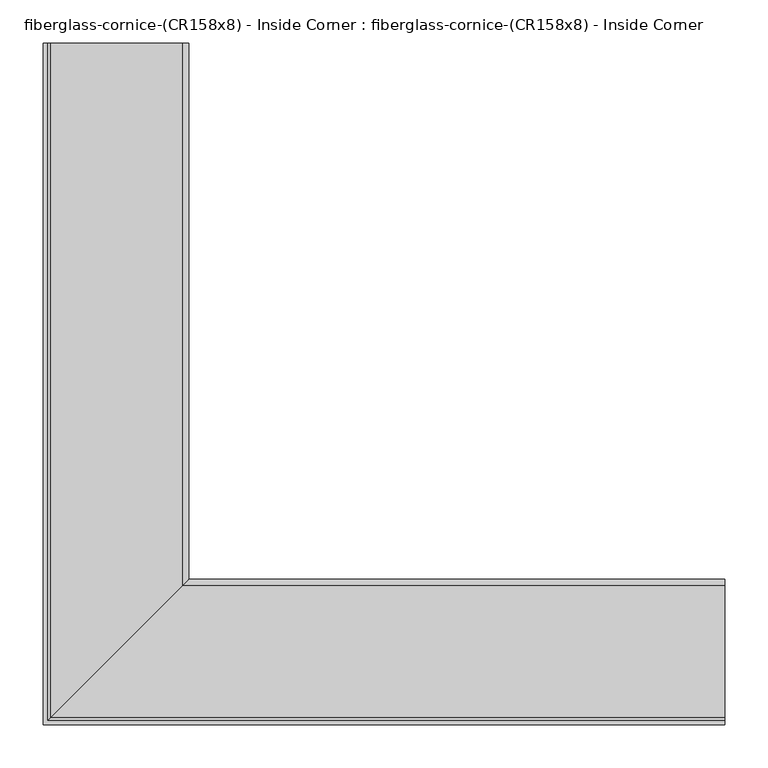
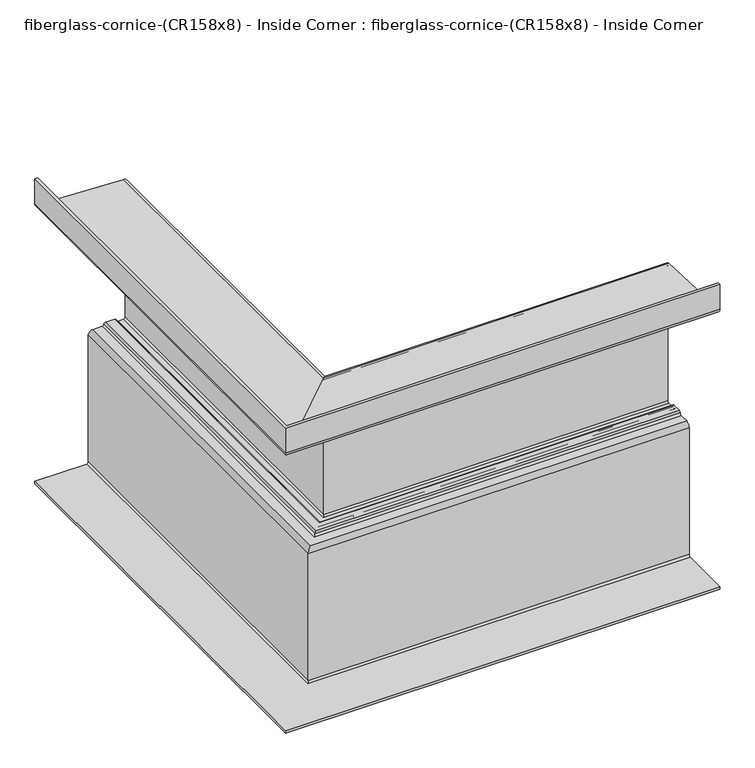
"""IFC4 building model written with IfcOpenShell, lengths in millimetres: furniture geometry, fiberglass-cornice-(CR158x8) - Inside Corner : fiberglass-cornice-(CR158x8) - Inside Corner."""

from ifc_helpers import new_model, si_unit, frame, origin, place, context, project, spatial, polyline, circle_curve, ellipse_curve, source, transform, mapped, element, save
from ifc_brep_helpers import plane_surface, cylinder_surface, revolved_surface, advanced_brep


def fiberglass_cornice_cr158x8_inside_corner_fiberglass_cornice_3115bbb0(model_context):
    return source(origin(), model_context, "Body", "AdvancedBrep", [
        advanced_brep(
        [(-393.699995, 888.603125, 330.1999904), (-388.937495, 888.603125, 330.1999904), (-388.937495, 888.603125, 282.1175966), (-385.8946721, 888.603125, 279.0747737), (-233.3696805, 888.603125, 272.7195594), (-225.4249938, 888.603125, 264.7748727), (-225.4249938, 888.603125, 7.8336533), (-233.3624938, 888.603125, -0.1038467), (-247.6298979, 888.603125, -0.1038467), (-250.8048979, 888.603125, 3.0711533), (-253.9798979, 888.603125, 6.2461533), (-260.4139272, 888.603125, 6.2461533), (-263.5889272, 888.603125, 3.0711533), (-266.7639272, 888.603125, -0.1038467), (-288.9249938, 888.603125, -0.1038467), (-292.0999938, 888.603125, -3.2788467), (-292.0999938, 888.603125, -246.1065858), (-300.0374938, 888.603125, -254.0440858), (-393.6999938, 888.603125, -254.0440858), (-393.6999938, 888.603125, -249.2815858), (-300.0374938, 888.603125, -249.2815858), (-296.8624938, 888.603125, -246.1065858), (-296.8624938, 888.603125, -3.2788467), (-288.9249938, 888.603125, 4.6586533), (-271.7284372, 888.603125, 4.6586533), (-268.5541291, 888.603125, 7.7673757), (-265.3798209, 888.603125, 10.8760981), (-249.4723533, 888.603125, 10.8760981), (-246.2973533, 888.603125, 7.7010676), (-243.1237369, 888.603125, 4.6586533), (-233.3624938, 888.603125, 4.6586533), (-230.1874938, 888.603125, 7.8336533), (-230.1874938, 888.603125, 264.7748727), (-233.3653685, 888.603125, 267.9527474), (-386.0929377, 888.603125, 274.3164025), (-393.699995, 888.603125, 281.9234597), (393.6999938, 101.2031239, 330.1999904), (393.6999938, 101.2031239, 281.9234597), (393.6999938, 108.8101811, 274.3164025), (393.6999938, 261.5377503, 267.9527474), (393.6999938, 264.715625, 264.7748727), (393.6999938, 264.715625, 7.8336533), (393.6999938, 261.540625, 4.6586533), (393.6999938, 251.7793819, 4.6586533), (393.6999938, 248.6057656, 7.7010676), (393.6999938, 245.4307656, 10.8760981), (393.6999938, 229.5232979, 10.8760981), (393.6999938, 226.3489898, 7.7673757), (393.6999938, 223.1746816, 4.6586533), (393.6999938, 205.978125, 4.6586533), (393.6999938, 198.040625, -3.2788467), (393.6999938, 198.040625, -246.1065858), (393.6999938, 194.865625, -249.2815858), (393.6999938, 101.203125, -249.2815858), (393.6999938, 101.203125, -254.0440858), (393.6999938, 194.865625, -254.0440858), (393.6999938, 202.803125, -246.1065858), (393.6999938, 202.803125, -3.2788467), (393.6999938, 205.978125, -0.1038467), (393.6999938, 228.1391917, -0.1038467), (393.6999938, 231.3141917, 3.0711533), (393.6999938, 234.4891917, 6.2461533), (393.6999938, 240.923221, 6.2461533), (393.6999938, 244.098221, 3.0711533), (393.6999938, 247.273221, -0.1038467), (393.6999938, 261.540625, -0.1038467), (393.6999938, 269.478125, 7.8336533), (393.6999938, 269.478125, 264.7748727), (393.6999938, 261.5334383, 272.7195594), (393.6999938, 109.0084468, 279.0747737), (393.6999938, 105.9656239, 282.1175966), (393.6999938, 105.9656239, 330.1999904), (-393.699995, 101.2031239, 330.1999904), (-388.937495, 105.9656239, 330.1999904), (-388.937495, 105.9656239, 282.1175966), (-385.8946721, 109.0084468, 279.0747737), (-233.3696805, 261.5334383, 272.7195594), (-225.4249938, 269.478125, 264.7748727), (-225.4249938, 269.478125, 7.8336533), (-233.3624938, 261.540625, -0.1038467), (-247.6298979, 247.273221, -0.1038467), (-250.8048979, 244.098221, 3.0711533), (-253.9798979, 240.923221, 6.2461533), (-260.4139272, 234.4891917, 6.2461533), (-263.5889272, 231.3141917, 3.0711533), (-266.7639272, 228.1391917, -0.1038467), (-288.9249938, 205.978125, -0.1038467), (-292.0999938, 202.803125, -3.2788467), (-292.0999938, 202.803125, -246.1065858), (-300.0374938, 194.865625, -254.0440858), (-393.6999938, 101.203125, -254.0440858), (-393.6999938, 101.203125, -249.2815858), (-300.0374938, 194.865625, -249.2815858), (-296.8624938, 198.040625, -246.1065858), (-296.8624938, 198.040625, -3.2788467), (-288.9249938, 205.978125, 4.6586533), (-271.7284372, 223.1746816, 4.6586533), (-268.5541291, 226.3489898, 7.7673757), (-265.3798209, 229.5232979, 10.8760981), (-249.4723533, 245.4307656, 10.8760981), (-246.2973533, 248.6057656, 7.7010676), (-243.1237369, 251.7793819, 4.6586533), (-233.3624938, 261.540625, 4.6586533), (-230.1874938, 264.715625, 7.8336533), (-230.1874938, 264.715625, 264.7748727), (-233.3653685, 261.5377503, 267.9527474), (-386.0929377, 108.8101811, 274.3164025), (-393.699995, 101.2031239, 281.9234597)],
        [
            (0, 1),
            (1, 2),
            (2, 3, circle_curve(frame((-385.8946721, 888.603125, 282.1175966), z_axis=(0.0, -1.0, 0.0), x_axis=(1.0, 0.0, 0.0)), 3.0428229)),
            (3, 4),
            (4, 5, circle_curve(frame((-233.3696805, 888.603125, 264.7748727), z_axis=(0.0, 1.0, 0.0), x_axis=(1.0, 0.0, 0.0)), 7.9446867)),
            (5, 6),
            (6, 7, circle_curve(frame((-233.3624938, 888.603125, 7.8336533), z_axis=(0.0, 1.0, 0.0), x_axis=(1.0, 0.0, 0.0)), 7.9375)),
            (7, 8),
            (8, 9, circle_curve(frame((-247.6298979, 888.603125, 3.0711533), z_axis=(0.0, 1.0, 0.0), x_axis=(1.0, 0.0, 0.0)), 3.175)),
            (9, 10, circle_curve(frame((-253.9798979, 888.603125, 3.0711533), z_axis=(0.0, -1.0, 0.0), x_axis=(1.0, 0.0, 0.0)), 3.175)),
            (10, 11),
            (11, 12, circle_curve(frame((-260.4139272, 888.603125, 3.0711533), z_axis=(0.0, -1.0, 0.0), x_axis=(1.0, 0.0, 0.0)), 3.175)),
            (12, 13, circle_curve(frame((-266.7639272, 888.603125, 3.0711533), z_axis=(0.0, 1.0, 0.0), x_axis=(1.0, 0.0, 0.0)), 3.175)),
            (13, 14),
            (14, 15, circle_curve(frame((-288.9249938, 888.603125, -3.2788467), z_axis=(0.0, -1.0, 0.0), x_axis=(1.0, 0.0, 0.0)), 3.175)),
            (15, 16),
            (16, 17, circle_curve(frame((-300.0374938, 888.603125, -246.1065858), z_axis=(0.0, 1.0, 0.0), x_axis=(1.0, 0.0, 0.0)), 7.9375)),
            (17, 18),
            (18, 19),
            (19, 20),
            (20, 21, circle_curve(frame((-300.0374938, 888.603125, -246.1065858), z_axis=(0.0, -1.0, 0.0), x_axis=(1.0, 0.0, 0.0)), 3.175)),
            (21, 22),
            (22, 23, circle_curve(frame((-288.9249938, 888.603125, -3.2788467), z_axis=(0.0, 1.0, 0.0), x_axis=(1.0, 0.0, 0.0)), 7.9375)),
            (23, 24),
            (24, 25, circle_curve(frame((-271.7284372, 888.603125, 7.8336533), z_axis=(0.0, -1.0, 0.0), x_axis=(1.0, 0.0, 0.0)), 3.175)),
            (25, 26, circle_curve(frame((-265.3798209, 888.603125, 7.7010981), z_axis=(0.0, 1.0, 0.0), x_axis=(1.0, 0.0, 0.0)), 3.175)),
            (26, 27),
            (27, 28, circle_curve(frame((-249.4723533, 888.603125, 7.7010981), z_axis=(0.0, 1.0, 0.0), x_axis=(1.0, 0.0, 0.0)), 3.175)),
            (28, 29, circle_curve(frame((-243.1237369, 888.603125, 7.8350986), z_axis=(0.0, -1.0, 0.0), x_axis=(1.0, 0.0, 0.0)), 3.1764453)),
            (29, 30),
            (30, 31, circle_curve(frame((-233.3624938, 888.603125, 7.8336533), z_axis=(0.0, -1.0, 0.0), x_axis=(1.0, 0.0, 0.0)), 3.175)),
            (31, 32),
            (32, 33, circle_curve(frame((-233.3653685, 888.603125, 264.7748727), z_axis=(0.0, -1.0, 0.0), x_axis=(1.0, 0.0, 0.0)), 3.1778747)),
            (33, 34),
            (34, 35, circle_curve(frame((-386.0929377, 888.603125, 281.9234597), z_axis=(0.0, 1.0, 0.0), x_axis=(1.0, 0.0, 0.0)), 7.6070572)),
            (35, 0),
            (36, 37),
            (37, 38, circle_curve(frame((393.6999938, 108.8101811, 281.9234597), z_axis=(1.0, 0.0, 0.0), x_axis=(0.0, 1.0, 0.0)), 7.6070572)),
            (38, 39),
            (39, 40, circle_curve(frame((393.6999938, 261.5377503, 264.7748727), z_axis=(-1.0, 0.0, 0.0), x_axis=(0.0, 1.0, 0.0)), 3.1778747)),
            (40, 41),
            (41, 42, circle_curve(frame((393.6999938, 261.540625, 7.8336533), z_axis=(-1.0, 0.0, 0.0), x_axis=(0.0, 1.0, 0.0)), 3.175)),
            (42, 43),
            (43, 44, circle_curve(frame((393.6999938, 251.7793819, 7.8350986), z_axis=(-1.0, 0.0, 0.0), x_axis=(0.0, 1.0, 0.0)), 3.1764453)),
            (44, 45, circle_curve(frame((393.6999938, 245.4307656, 7.7010981), z_axis=(1.0, 0.0, 0.0), x_axis=(0.0, 1.0, 0.0)), 3.175)),
            (45, 46),
            (46, 47, circle_curve(frame((393.6999938, 229.5232979, 7.7010981), z_axis=(1.0, 0.0, 0.0), x_axis=(0.0, 1.0, 0.0)), 3.175)),
            (47, 48, circle_curve(frame((393.6999938, 223.1746816, 7.8336533), z_axis=(-1.0, 0.0, 0.0), x_axis=(0.0, 1.0, 0.0)), 3.175)),
            (48, 49),
            (49, 50, circle_curve(frame((393.6999938, 205.978125, -3.2788467), z_axis=(1.0, 0.0, 0.0), x_axis=(0.0, 1.0, 0.0)), 7.9375)),
            (50, 51),
            (51, 52, circle_curve(frame((393.6999938, 194.865625, -246.1065858), z_axis=(-1.0, 0.0, 0.0), x_axis=(0.0, 1.0, 0.0)), 3.175)),
            (52, 53),
            (53, 54),
            (54, 55),
            (55, 56, circle_curve(frame((393.6999938, 194.865625, -246.1065858), z_axis=(1.0, 0.0, 0.0), x_axis=(0.0, 1.0, 0.0)), 7.9375)),
            (56, 57),
            (57, 58, circle_curve(frame((393.6999938, 205.978125, -3.2788467), z_axis=(-1.0, 0.0, 0.0), x_axis=(0.0, 1.0, 0.0)), 3.175)),
            (58, 59),
            (59, 60, circle_curve(frame((393.6999938, 228.1391917, 3.0711533), z_axis=(1.0, 0.0, 0.0), x_axis=(0.0, 1.0, 0.0)), 3.175)),
            (60, 61, circle_curve(frame((393.6999938, 234.4891917, 3.0711533), z_axis=(-1.0, 0.0, 0.0), x_axis=(0.0, 1.0, 0.0)), 3.175)),
            (61, 62),
            (62, 63, circle_curve(frame((393.6999938, 240.923221, 3.0711533), z_axis=(-1.0, 0.0, 0.0), x_axis=(0.0, 1.0, 0.0)), 3.175)),
            (63, 64, circle_curve(frame((393.6999938, 247.273221, 3.0711533), z_axis=(1.0, 0.0, 0.0), x_axis=(0.0, 1.0, 0.0)), 3.175)),
            (64, 65),
            (65, 66, circle_curve(frame((393.6999938, 261.540625, 7.8336533), z_axis=(1.0, 0.0, 0.0), x_axis=(0.0, 1.0, 0.0)), 7.9375)),
            (66, 67),
            (67, 68, circle_curve(frame((393.6999938, 261.5334383, 264.7748727), z_axis=(1.0, 0.0, 0.0), x_axis=(0.0, 1.0, 0.0)), 7.9446867)),
            (68, 69),
            (69, 70, circle_curve(frame((393.6999938, 109.0084468, 282.1175966), z_axis=(-1.0, 0.0, 0.0), x_axis=(0.0, 1.0, 0.0)), 3.0428229)),
            (70, 71),
            (71, 36),
            (0, 72),
            (72, 36),
            (71, 73),
            (73, 1),
            (73, 74),
            (74, 2),
            (74, 75, ellipse_curve(frame((-385.8946721, 109.0084468, 282.1175966), z_axis=(0.7071067811865475, -0.7071067811865475, 0.0), x_axis=(-0.7071067811865474, -0.7071067811865476, 0.0)), 4.3032014, 3.0428229)),
            (75, 3),
            (75, 76),
            (76, 4),
            (76, 77, ellipse_curve(frame((-233.3696805, 261.5334383, 264.7748727), z_axis=(-0.7071067811865475, 0.7071067811865475, 0.0), x_axis=(0.7071067811865474, 0.7071067811865476, 0.0)), 11.2354836, 7.9446867)),
            (77, 5),
            (77, 78),
            (78, 6),
            (78, 79, ellipse_curve(frame((-233.3624938, 261.540625, 7.8336533), z_axis=(-0.7071067811865475, 0.7071067811865475, 0.0), x_axis=(0.7071067811865474, 0.7071067811865476, 0.0)), 11.2253202, 7.9375)),
            (79, 7),
            (79, 65),
            (64, 80),
            (80, 8),
            (80, 81, ellipse_curve(frame((-247.6298979, 247.273221, 3.0711533), z_axis=(-0.7071067811865475, 0.7071067811865475, 0.0), x_axis=(0.7071067811865474, 0.7071067811865476, 0.0)), 4.4901281, 3.175)),
            (81, 9),
            (81, 82, ellipse_curve(frame((-253.9798979, 240.923221, 3.0711533), z_axis=(0.7071067811865475, -0.7071067811865475, 0.0), x_axis=(-0.7071067811865474, -0.7071067811865476, 0.0)), 4.4901281, 3.175)),
            (82, 10),
            (82, 62),
            (61, 83),
            (83, 11),
            (83, 84, ellipse_curve(frame((-260.4139272, 234.4891917, 3.0711533), z_axis=(0.7071067811865475, -0.7071067811865475, 0.0), x_axis=(-0.7071067811865474, -0.7071067811865476, 0.0)), 4.4901281, 3.175)),
            (84, 12),
            (84, 85, ellipse_curve(frame((-266.7639272, 228.1391917, 3.0711533), z_axis=(-0.7071067811865475, 0.7071067811865475, 0.0), x_axis=(0.7071067811865474, 0.7071067811865476, 0.0)), 4.4901281, 3.175)),
            (85, 13),
            (85, 59),
            (58, 86),
            (86, 14),
            (86, 87, ellipse_curve(frame((-288.9249938, 205.978125, -3.2788467), z_axis=(0.7071067811865475, -0.7071067811865475, 0.0), x_axis=(-0.7071067811865474, -0.7071067811865476, 0.0)), 4.4901281, 3.175)),
            (87, 15),
            (87, 88),
            (88, 16),
            (88, 89, ellipse_curve(frame((-300.0374938, 194.865625, -246.1065858), z_axis=(-0.7071067811865475, 0.7071067811865475, 0.0), x_axis=(0.7071067811865474, 0.7071067811865476, 0.0)), 11.2253202, 7.9375)),
            (89, 17),
            (89, 55),
            (54, 90),
            (90, 18),
            (90, 91),
            (91, 19),
            (91, 53),
            (52, 92),
            (92, 20),
            (92, 93, ellipse_curve(frame((-300.0374938, 194.865625, -246.1065858), z_axis=(0.7071067811865475, -0.7071067811865475, 0.0), x_axis=(-0.7071067811865474, -0.7071067811865476, 0.0)), 4.4901281, 3.175)),
            (93, 21),
            (93, 94),
            (94, 22),
            (94, 95, ellipse_curve(frame((-288.9249938, 205.978125, -3.2788467), z_axis=(-0.7071067811865475, 0.7071067811865475, 0.0), x_axis=(0.7071067811865474, 0.7071067811865476, 0.0)), 11.2253202, 7.9375)),
            (95, 23),
            (95, 49),
            (48, 96),
            (96, 24),
            (96, 97, ellipse_curve(frame((-271.7284372, 223.1746816, 7.8336533), z_axis=(0.7071067811865475, -0.7071067811865475, 0.0), x_axis=(-0.7071067811865474, -0.7071067811865476, 0.0)), 4.4901281, 3.175)),
            (97, 25),
            (97, 98, ellipse_curve(frame((-265.3798209, 229.5232979, 7.7010981), z_axis=(-0.7071067811865475, 0.7071067811865475, 0.0), x_axis=(0.7071067811865474, 0.7071067811865476, 0.0)), 4.4901281, 3.175)),
            (98, 26),
            (98, 46),
            (45, 99),
            (99, 27),
            (99, 100, ellipse_curve(frame((-249.4723533, 245.4307656, 7.7010981), z_axis=(-0.7071067811865475, 0.7071067811865475, 0.0), x_axis=(0.7071067811865474, 0.7071067811865476, 0.0)), 4.4901281, 3.175)),
            (100, 28),
            (100, 101, ellipse_curve(frame((-243.1237369, 251.7793819, 7.8350986), z_axis=(0.7071067811865475, -0.7071067811865475, 0.0), x_axis=(-0.7071067811865474, -0.7071067811865476, 0.0)), 4.492172, 3.1764453)),
            (101, 29),
            (101, 43),
            (42, 102),
            (102, 30),
            (102, 103, ellipse_curve(frame((-233.3624938, 261.540625, 7.8336533), z_axis=(0.7071067811865475, -0.7071067811865475, 0.0), x_axis=(-0.7071067811865474, -0.7071067811865476, 0.0)), 4.4901281, 3.175)),
            (103, 31),
            (103, 104),
            (104, 32),
            (104, 105, ellipse_curve(frame((-233.3653685, 261.5377503, 264.7748727), z_axis=(0.7071067811865475, -0.7071067811865475, 0.0), x_axis=(-0.7071067811865474, -0.7071067811865476, 0.0)), 4.4941935, 3.1778747)),
            (105, 33),
            (105, 106),
            (106, 34),
            (106, 107, ellipse_curve(frame((-386.0929377, 108.8101811, 281.9234597), z_axis=(-0.7071067811865475, 0.7071067811865475, 0.0), x_axis=(0.7071067811865474, 0.7071067811865476, 0.0)), 10.7580035, 7.6070572)),
            (107, 35),
            (107, 72),
            (70, 74),
            (69, 75),
            (68, 76),
            (67, 77),
            (66, 78),
            (63, 81),
            (60, 84),
            (57, 87),
            (56, 88),
            (51, 93),
            (50, 94),
            (47, 97),
            (44, 100),
            (41, 103),
            (40, 104),
            (39, 105),
            (38, 106),
            (37, 107),
        ],
        [
            plane_surface(frame((-393.6999938, 888.603125, 330.1999904), z_axis=(0.0, 1.0, 0.0), x_axis=(0.0, 0.0, 1.0))),
            plane_surface(frame((393.6999938, 101.203125, 330.1999904), z_axis=(1.0, 0.0, 0.0), x_axis=(0.0, 0.0, 1.0))),
            plane_surface(frame((-393.699995, 888.603125, 330.1999904), z_axis=(0.0, 0.0, 1.0), x_axis=(0.0, -1.0, 0.0))),
            plane_surface(frame((-388.937495, 888.603125, 330.1999904), z_axis=(1.0, 0.0, 0.0), x_axis=(0.0, -1.0, 0.0))),
            revolved_surface(polyline([(-382.8518492, 105.96562389999997, 282.1175966), (-382.8518492, 888.603125, 282.1175966)]), (-385.8946721, 888.603125, 282.1175966), (0.0, -1.0, 0.0)),
            plane_surface(frame((-385.8946721, 888.603125, 279.0747737), z_axis=(0.041630586317576795, 0.0, 0.9991330713587929), x_axis=(0.0, -1.0, 0.0))),
            cylinder_surface(frame((-233.3696805, 888.603125, 264.7748727), z_axis=(0.0, 1.0, 0.0), x_axis=(1.0, 0.0, 0.0)), 7.9446867),
            plane_surface(frame((-225.4249938, 888.603125, 264.7748727), z_axis=(1.0, 0.0, 0.0), x_axis=(0.0, -1.0, 0.0))),
            cylinder_surface(frame((-233.3624938, 888.603125, 7.8336533), z_axis=(0.0, 1.0, 0.0), x_axis=(1.0, 0.0, 0.0)), 7.9375),
            plane_surface(frame((-233.3624938, 888.603125, -0.1038467), z_axis=(0.0, 0.0, -1.0), x_axis=(0.0, -1.0, 0.0))),
            cylinder_surface(frame((-247.6298979, 888.603125, 3.0711533), z_axis=(0.0, 1.0, 0.0), x_axis=(1.0, 0.0, 0.0)), 3.175),
            revolved_surface(polyline([(-250.8048979, 237.7482209720937, 3.0711533), (-250.8048979, 888.603125, 3.0711533)]), (-253.9798979, 888.603125, 3.0711533), (0.0, -1.0, 0.0)),
            plane_surface(frame((-253.9798979, 888.603125, 6.2461533), z_axis=(0.0, 0.0, -1.0), x_axis=(0.0, -1.0, 0.0))),
            revolved_surface(polyline([(-257.2389272, 231.31419167209367, 3.0711533), (-257.2389272, 888.603125, 3.0711533)]), (-260.4139272, 888.603125, 3.0711533), (0.0, -1.0, 0.0)),
            cylinder_surface(frame((-266.7639272, 888.603125, 3.0711533), z_axis=(0.0, 1.0, 0.0), x_axis=(1.0, 0.0, 0.0)), 3.175),
            plane_surface(frame((-266.7639272, 888.603125, -0.1038467), z_axis=(0.0, 0.0, -1.0), x_axis=(0.0, -1.0, 0.0))),
            revolved_surface(polyline([(-285.74999379999997, 202.80312497209366, -3.2788467), (-285.74999379999997, 888.603125, -3.2788467)]), (-288.9249938, 888.603125, -3.2788467), (0.0, -1.0, 0.0)),
            plane_surface(frame((-292.0999938, 888.603125, -3.2788467), z_axis=(1.0, 0.0, 0.0), x_axis=(0.0, -1.0, 0.0))),
            cylinder_surface(frame((-300.0374938, 888.603125, -246.1065858), z_axis=(0.0, 1.0, 0.0), x_axis=(1.0, 0.0, 0.0)), 7.9375),
            plane_surface(frame((-300.0374938, 888.603125, -254.0440858), z_axis=(0.0, 0.0, -1.0), x_axis=(0.0, -1.0, 0.0))),
            plane_surface(frame((-393.6999938, 888.603125, -254.0440858), z_axis=(-1.0, 0.0, 0.0), x_axis=(0.0, -1.0, 0.0))),
            plane_surface(frame((-393.6999938, 888.603125, -249.2815858), z_axis=(0.0, 0.0, 1.0), x_axis=(0.0, -1.0, 0.0))),
            revolved_surface(polyline([(-296.8624938, 191.6906249720937, -246.1065858), (-296.8624938, 888.603125, -246.1065858)]), (-300.0374938, 888.603125, -246.1065858), (0.0, -1.0, 0.0)),
            plane_surface(frame((-296.8624938, 888.603125, -246.1065858), z_axis=(-1.0, 0.0, 0.0), x_axis=(0.0, -1.0, 0.0))),
            cylinder_surface(frame((-288.9249938, 888.603125, -3.2788467), z_axis=(0.0, 1.0, 0.0), x_axis=(1.0, 0.0, 0.0)), 7.9375),
            plane_surface(frame((-288.9249938, 888.603125, 4.6586533), z_axis=(0.0, 0.0, 1.0), x_axis=(0.0, -1.0, 0.0))),
            revolved_surface(polyline([(-268.55343719999996, 219.99968157209366, 7.8336533), (-268.55343719999996, 888.603125, 7.8336533)]), (-271.7284372, 888.603125, 7.8336533), (0.0, -1.0, 0.0)),
            cylinder_surface(frame((-265.3798209, 888.603125, 7.7010981), z_axis=(0.0, 1.0, 0.0), x_axis=(1.0, 0.0, 0.0)), 3.175),
            plane_surface(frame((-265.3798209, 888.603125, 10.8760981), z_axis=(0.0, 0.0, 1.0), x_axis=(0.0, -1.0, 0.0))),
            cylinder_surface(frame((-249.4723533, 888.603125, 7.7010981), z_axis=(0.0, 1.0, 0.0), x_axis=(1.0, 0.0, 0.0)), 3.175),
            revolved_surface(polyline([(-239.9472916, 248.60293661654362, 7.8350986), (-239.9472916, 888.603125, 7.8350986)]), (-243.1237369, 888.603125, 7.8350986), (0.0, -1.0, 0.0)),
            plane_surface(frame((-243.1237369, 888.603125, 4.6586533), z_axis=(0.0, 0.0, 1.0), x_axis=(0.0, -1.0, 0.0))),
            revolved_surface(polyline([(-230.1874938, 258.36562497209366, 7.8336533), (-230.1874938, 888.603125, 7.8336533)]), (-233.3624938, 888.603125, 7.8336533), (0.0, -1.0, 0.0)),
            plane_surface(frame((-230.1874938, 888.603125, 7.8336533), z_axis=(-1.0, 0.0, 0.0), x_axis=(0.0, -1.0, 0.0))),
            revolved_surface(polyline([(-230.1874938, 258.35987560018555, 264.7748727), (-230.1874938, 888.603125, 264.7748727)]), (-233.3653685, 888.603125, 264.7748727), (0.0, -1.0, 0.0)),
            plane_surface(frame((-233.3653685, 888.603125, 267.9527474), z_axis=(-0.041630586317557366, 0.0, -0.9991330713587938), x_axis=(0.0, -1.0, 0.0))),
            cylinder_surface(frame((-386.0929377, 888.603125, 281.9234597), z_axis=(0.0, 1.0, 0.0), x_axis=(1.0, 0.0, 0.0)), 7.6070572),
            plane_surface(frame((-393.699995, 888.603125, 281.9234597), z_axis=(-1.0, 0.0, 0.0), x_axis=(0.0, -1.0, 0.0))),
            plane_surface(frame((-388.937495, 105.9656239, 330.1999904), z_axis=(0.0, 1.0, 0.0), x_axis=(1.0, 0.0, 0.0))),
            revolved_surface(polyline([(393.6999938, 112.0512697, 282.1175966), (-388.937495, 112.0512697, 282.1175966)]), (-393.6999938, 109.0084468, 282.1175966), (1.0, 0.0, 0.0)),
            plane_surface(frame((-385.8946721, 109.0084468, 279.0747737), z_axis=(0.0, 0.041630586317576795, 0.9991330713587929), x_axis=(1.0, 0.0, 0.0))),
            cylinder_surface(frame((-393.6999938, 261.5334383, 264.7748727), z_axis=(-1.0, 0.0, 0.0), x_axis=(0.0, 1.0, 0.0)), 7.9446867),
            plane_surface(frame((-225.4249938, 269.478125, 264.7748727), z_axis=(0.0, 1.0, 0.0), x_axis=(1.0, 0.0, 0.0))),
            cylinder_surface(frame((-393.6999938, 261.540625, 7.8336533), z_axis=(-1.0, 0.0, 0.0), x_axis=(0.0, 1.0, 0.0)), 7.9375),
            cylinder_surface(frame((-393.6999938, 247.273221, 3.0711533), z_axis=(-1.0, 0.0, 0.0), x_axis=(0.0, 1.0, 0.0)), 3.175),
            revolved_surface(polyline([(393.6999938, 244.09822100000002, 3.0711533), (-257.1548979279063, 244.09822100000002, 3.0711533)]), (-393.6999938, 240.923221, 3.0711533), (1.0, 0.0, 0.0)),
            revolved_surface(polyline([(393.6999938, 237.6641917, 3.0711533), (-263.58892722790625, 237.6641917, 3.0711533)]), (-393.6999938, 234.4891917, 3.0711533), (1.0, 0.0, 0.0)),
            cylinder_surface(frame((-393.6999938, 228.1391917, 3.0711533), z_axis=(-1.0, 0.0, 0.0), x_axis=(0.0, 1.0, 0.0)), 3.175),
            revolved_surface(polyline([(393.6999938, 209.15312500000002, -3.2788467), (-292.09999382790625, 209.15312500000002, -3.2788467)]), (-393.6999938, 205.978125, -3.2788467), (1.0, 0.0, 0.0)),
            plane_surface(frame((-292.0999938, 202.803125, -3.2788467), z_axis=(0.0, 1.0, 0.0), x_axis=(1.0, 0.0, 0.0))),
            cylinder_surface(frame((-393.6999938, 194.865625, -246.1065858), z_axis=(-1.0, 0.0, 0.0), x_axis=(0.0, 1.0, 0.0)), 7.9375),
            plane_surface(frame((-393.6999938, 101.203125, -254.0440858), z_axis=(0.0, -1.0, 0.0), x_axis=(1.0, 0.0, 0.0))),
            revolved_surface(polyline([(393.6999938, 198.040625, -246.1065858), (-303.21249382790626, 198.040625, -246.1065858)]), (-393.6999938, 194.865625, -246.1065858), (1.0, 0.0, 0.0)),
            plane_surface(frame((-296.8624938, 198.040625, -246.1065858), z_axis=(0.0, -1.0, 0.0), x_axis=(1.0, 0.0, 0.0))),
            cylinder_surface(frame((-393.6999938, 205.978125, -3.2788467), z_axis=(-1.0, 0.0, 0.0), x_axis=(0.0, 1.0, 0.0)), 7.9375),
            revolved_surface(polyline([(393.6999938, 226.34968160000003, 7.8336533), (-274.90343722790624, 226.34968160000003, 7.8336533)]), (-393.6999938, 223.1746816, 7.8336533), (1.0, 0.0, 0.0)),
            cylinder_surface(frame((-393.6999938, 229.5232979, 7.7010981), z_axis=(-1.0, 0.0, 0.0), x_axis=(0.0, 1.0, 0.0)), 3.175),
            cylinder_surface(frame((-393.6999938, 245.4307656, 7.7010981), z_axis=(-1.0, 0.0, 0.0), x_axis=(0.0, 1.0, 0.0)), 3.175),
            revolved_surface(polyline([(393.6999938, 254.95582720000002, 7.8350986), (-246.30018218345634, 254.95582720000002, 7.8350986)]), (-393.6999938, 251.7793819, 7.8350986), (1.0, 0.0, 0.0)),
            revolved_surface(polyline([(393.6999938, 264.715625, 7.8336533), (-236.53749382790627, 264.715625, 7.8336533)]), (-393.6999938, 261.540625, 7.8336533), (1.0, 0.0, 0.0)),
            plane_surface(frame((-230.1874938, 264.715625, 7.8336533), z_axis=(0.0, -1.0, 0.0), x_axis=(1.0, 0.0, 0.0))),
            revolved_surface(polyline([(393.6999938, 264.71562500000005, 264.7748727), (-236.5432431998145, 264.71562500000005, 264.7748727)]), (-393.6999938, 261.5377503, 264.7748727), (1.0, 0.0, 0.0)),
            plane_surface(frame((-233.3653685, 261.5377503, 267.9527474), z_axis=(0.0, -0.041630586317557366, -0.9991330713587938), x_axis=(1.0, 0.0, 0.0))),
            cylinder_surface(frame((-393.6999938, 108.8101811, 281.9234597), z_axis=(-1.0, 0.0, 0.0), x_axis=(0.0, 1.0, 0.0)), 7.6070572),
            plane_surface(frame((-393.699995, 101.2031239, 281.9234597), z_axis=(0.0, -1.0, 0.0), x_axis=(1.0, 0.0, 0.0))),
        ],
        [
            (0, [[1, 2, 3, 4, 5, 6, 7, 8, 9, 10, 11, 12, 13, 14, 15, 16, 17, 18, 19, 20, 21, 22, 23, 24, 25, 26, 27, 28, 29, 30, 31, 32, 33, 34, 35, 36]]),
            (1, [[37, 38, 39, 40, 41, 42, 43, 44, 45, 46, 47, 48, 49, 50, 51, 52, 53, 54, 55, 56, 57, 58, 59, 60, 61, 62, 63, 64, 65, 66, 67, 68, 69, 70, 71, 72]]),
            (2, [[-1, 73, 74, -72, 75, 76]]),
            (3, [[-2, -76, 77, 78]]),
            (4, [[-3, -78, 79, 80]]),
            (5, [[-4, -80, 81, 82]]),
            (6, [[-5, -82, 83, 84]]),
            (7, [[-6, -84, 85, 86]]),
            (8, [[-7, -86, 87, 88]]),
            (9, [[-8, -88, 89, -65, 90, 91]]),
            (10, [[-9, -91, 92, 93]]),
            (11, [[-10, -93, 94, 95]]),
            (12, [[-11, -95, 96, -62, 97, 98]]),
            (13, [[-12, -98, 99, 100]]),
            (14, [[-13, -100, 101, 102]]),
            (15, [[-14, -102, 103, -59, 104, 105]]),
            (16, [[-15, -105, 106, 107]]),
            (17, [[-16, -107, 108, 109]]),
            (18, [[-17, -109, 110, 111]]),
            (19, [[-18, -111, 112, -55, 113, 114]]),
            (20, [[-19, -114, 115, 116]]),
            (21, [[-20, -116, 117, -53, 118, 119]]),
            (22, [[-21, -119, 120, 121]]),
            (23, [[-22, -121, 122, 123]]),
            (24, [[-23, -123, 124, 125]]),
            (25, [[-24, -125, 126, -49, 127, 128]]),
            (26, [[-25, -128, 129, 130]]),
            (27, [[-26, -130, 131, 132]]),
            (28, [[-27, -132, 133, -46, 134, 135]]),
            (29, [[-28, -135, 136, 137]]),
            (30, [[-29, -137, 138, 139]]),
            (31, [[-30, -139, 140, -43, 141, 142]]),
            (32, [[-31, -142, 143, 144]]),
            (33, [[-32, -144, 145, 146]]),
            (34, [[-33, -146, 147, 148]]),
            (35, [[-34, -148, 149, 150]]),
            (36, [[-35, -150, 151, 152]]),
            (37, [[-36, -152, 153, -73]]),
            (38, [[-77, -75, -71, 154]]),
            (39, [[-79, -154, -70, 155]]),
            (40, [[-81, -155, -69, 156]]),
            (41, [[-83, -156, -68, 157]]),
            (42, [[-85, -157, -67, 158]]),
            (43, [[-87, -158, -66, -89]]),
            (44, [[-92, -90, -64, 159]]),
            (45, [[-94, -159, -63, -96]]),
            (46, [[-99, -97, -61, 160]]),
            (47, [[-101, -160, -60, -103]]),
            (48, [[-106, -104, -58, 161]]),
            (49, [[-108, -161, -57, 162]]),
            (50, [[-110, -162, -56, -112]]),
            (51, [[-115, -113, -54, -117]]),
            (52, [[-120, -118, -52, 163]]),
            (53, [[-122, -163, -51, 164]]),
            (54, [[-124, -164, -50, -126]]),
            (55, [[-129, -127, -48, 165]]),
            (56, [[-131, -165, -47, -133]]),
            (57, [[-136, -134, -45, 166]]),
            (58, [[-138, -166, -44, -140]]),
            (59, [[-143, -141, -42, 167]]),
            (60, [[-145, -167, -41, 168]]),
            (61, [[-147, -168, -40, 169]]),
            (62, [[-149, -169, -39, 170]]),
            (63, [[-151, -170, -38, 171]]),
            (64, [[-153, -171, -37, -74]]),
        ],
    ),
    ])


if __name__ == "__main__":
    model = new_model("IFC4")
    model_context = context("Model", 3, world=origin())
    ifc_project = project(units=[si_unit("LENGTHUNIT", "METRE", prefix="MILLI")], contexts=[model_context])
    site = spatial("IfcSite", under=ifc_project)
    building = spatial("IfcBuilding", under=site)
    placement = place(None, origin())
    fiberglass_cornice_cr158x8_inside_corner_fiberglass_cornice_shape = fiberglass_cornice_cr158x8_inside_corner_fiberglass_cornice_3115bbb0(model_context)
    element("IfcFurniture", 1, ObjectType="fiberglass-cornice-(CR158x8) - Inside Corner : fiberglass-cornice-(CR158x8) - Inside Corner", at=placement, inside=building, context=model_context, shape_type="MappedRepresentation", body=[
        mapped(fiberglass_cornice_cr158x8_inside_corner_fiberglass_cornice_shape, transform((0.0, 0.0, 0.0), x_axis=(1.0, 0.0, 0.0), y_axis=(0.0, 1.0, 0.0), z_axis=(0.0, 0.0, 1.0))),
    ])
    save(model, "model.ifc")
